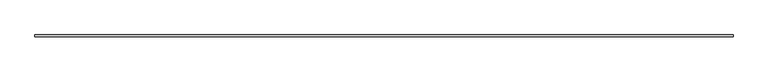
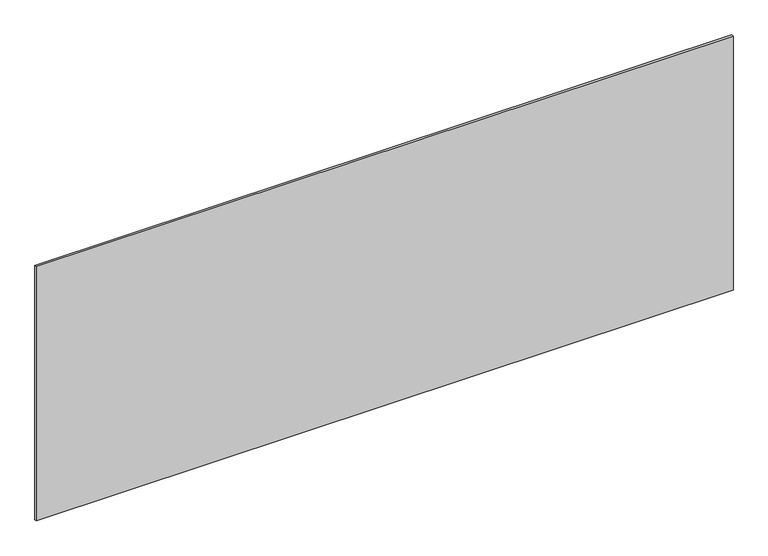
"""IFC4 building model written with IfcOpenShell, lengths in millimetres: plate geometry."""

from ifc_helpers import new_model, si_unit, origin, origin_with_axes, place, context, project, spatial, polyline, outline, extrude, source, transform, mapped, element, save


def plate_ce47b6dc(model_context):
    return source(origin(), model_context, "Body", "SweptSolid", [
        extrude(outline(polyline([(1697.5, -5.0), (-1697.5, -5.0), (-1697.5, 5.0), (1697.5, 5.0), (1697.5, -5.0)])), origin_with_axes(), (0.0, 0.0, 1.0), 1309.8788902),
    ])


if __name__ == "__main__":
    model = new_model("IFC4")
    model_context = context("Model", 3, world=origin())
    ifc_project = project(units=[si_unit("LENGTHUNIT", "METRE", prefix="MILLI")], contexts=[model_context])
    site = spatial("IfcSite", under=ifc_project)
    building = spatial("IfcBuilding", under=site)
    placement = place(None, origin())
    plate_shape = plate_ce47b6dc(model_context)
    element("IfcPlate", 1, at=placement, inside=building, context=model_context, shape_type="MappedRepresentation", body=[
        mapped(plate_shape, transform((0.0, 0.0, 0.0), x_axis=(1.0, 0.0, 0.0), y_axis=(0.0, 1.0, 0.0), z_axis=(0.0, 0.0, 1.0))),
    ])
    save(model, "model.ifc")
